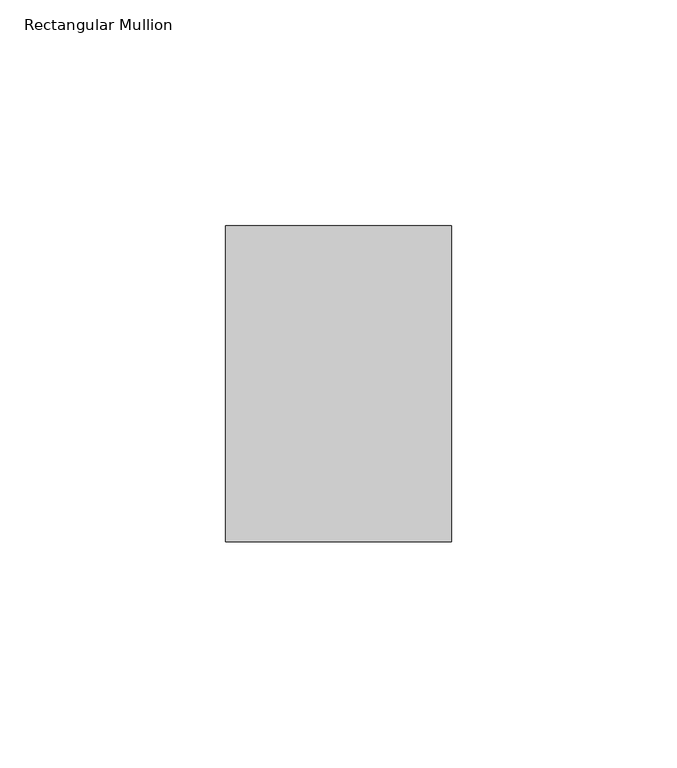
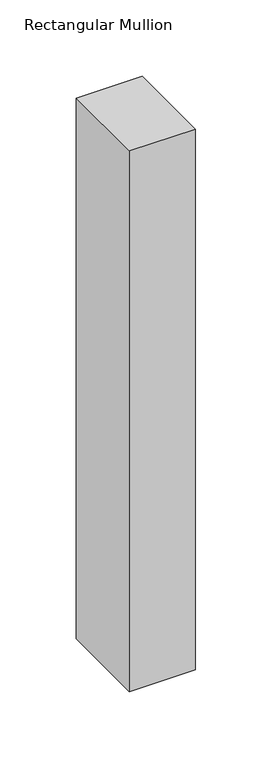
"""IFC4 building model written with IfcOpenShell, lengths in millimetres: member geometry, Rectangular Mullion."""

from ifc_helpers import new_model, si_unit, frame, origin, place, context, project, spatial, polyline, outline, extrude, source, transform, mapped, element, save


def rectangular_mullion_89440493(model_context):
    return source(origin(), model_context, "Body", "SweptSolid", [
        extrude(outline(polyline([(0.0, 35.0), (0.0, -35.0), (-50.0, -35.0), (-50.0, 35.0), (0.0, 35.0)])), frame((0.0, 0.0, -433.4685394), z_axis=(0.0, 0.0, 1.0), x_axis=(1.0, 0.0, 0.0)), (0.0, 0.0, 1.0), 433.4685394),
    ])


if __name__ == "__main__":
    model = new_model("IFC4")
    model_context = context("Model", 3, world=origin())
    ifc_project = project(units=[si_unit("LENGTHUNIT", "METRE", prefix="MILLI")], contexts=[model_context])
    site = spatial("IfcSite", under=ifc_project)
    building = spatial("IfcBuilding", under=site)
    placement = place(None, origin())
    rectangular_mullion_shape = rectangular_mullion_89440493(model_context)
    element("IfcMember", 1, ObjectType="Rectangular Mullion", at=placement, inside=building, context=model_context, shape_type="MappedRepresentation", body=[
        mapped(rectangular_mullion_shape, transform((0.0, 0.0, 0.0), x_axis=(1.0, 0.0, 0.0), y_axis=(0.0, 1.0, 0.0), z_axis=(0.0, 0.0, 1.0))),
    ])
    save(model, "model.ifc")
